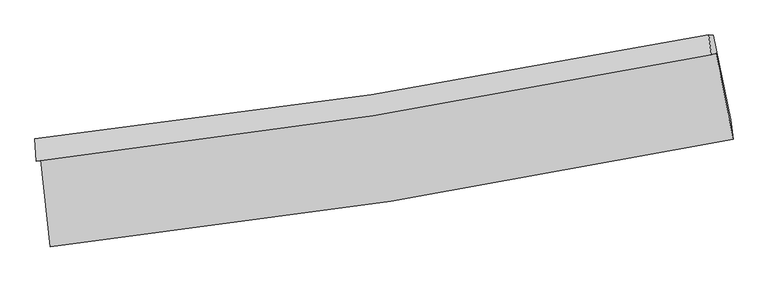
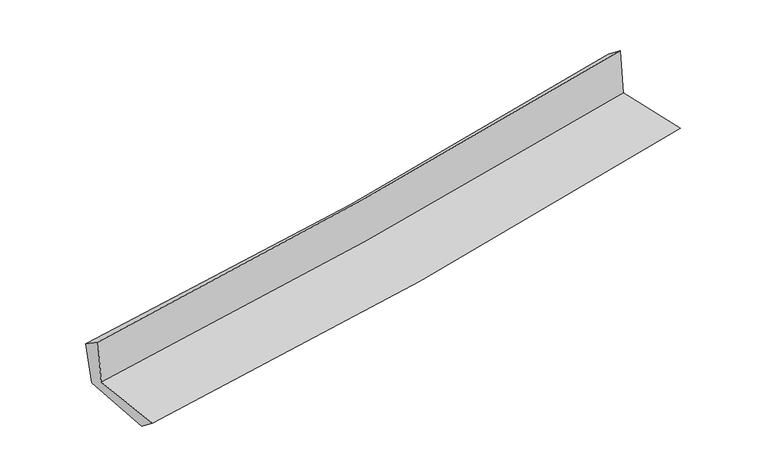
"""IFC4 building model written with IfcOpenShell, lengths in millimetres: proxy geometry."""

from ifc_helpers import new_model, si_unit, frame, origin, place, context, project, spatial, source, transform, mapped, element, save
from ifc_brep_helpers import plane_surface, spline_curve, spline_surface, advanced_brep


def generic_models_f7d64192(model_context):
    return source(origin(), model_context, "Body", "AdvancedBrep", [
        advanced_brep(
        [(-2566.0960201, -1886.8434301, 1664.3731756), (-2492.3786909, -2542.6124125, 1652.8494156), (2653.1485334, -1730.7792477, 2119.2005688), (2524.9680418, -1083.1559694, 2103.5641855), (-2600.1142343, -1897.5990762, 2058.817971), (2489.2463883, -1094.4501972, 2517.7605405), (-2608.7560309, -1726.1233361, 1942.6993897), (2470.1020125, -944.9885751, 2400.3278527), (-2573.3651076, -1752.2362344, 1578.6579716), (2504.3010377, -947.1122541, 2032.0206977), (-2498.495035, -2393.9556484, 1536.7746895), (2635.038841, -1583.9022077, 1996.1255096)],
        [
            (0, 1),
            (1, 2, spline_curve(3, [(-2492.3786909, -2542.6124125, 1652.8494156), (-1633.613598854, -2447.424094796, 1723.907375879), (-778.033911173, -2332.709837057, 1798.042932551), (937.220532733, -2062.581213093, 1953.417278225), (1796.816586417, -1906.684415716, 2034.732105906), (2653.1485334, -1730.7792477, 2119.2005688)], [4, 2, 4], [0.0, 8.482847480350175, 17.06984915085856])),
            (2, 3),
            (3, 0, spline_curve(3, [(2524.9680418, -1083.1559694, 2103.5641855), (1677.001396992, -1254.101370835, 2031.095506441), (826.156625115, -1406.84629872, 1958.035011169), (-870.934124602, -1674.303279056, 1811.623738303), (-1717.110706775, -1789.454171451, 1738.287230321), (-2566.0960201, -1886.8434301, 1664.3731756)], [4, 2, 4], [0.0, 8.587001670508384, 17.06984915085856])),
            (4, 0),
            (3, 5),
            (5, 4, spline_curve(3, [(2489.2463883, -1094.4501972, 2517.7605405), (1641.557062646, -1265.307917706, 2442.076317966), (790.993795066, -1417.963841564, 2365.751750068), (-905.529040762, -1685.241262819, 2212.75545409), (-1751.419314057, -1800.30163204, 2136.099165097), (-2600.1142343, -1897.5990762, 2058.817971)], [4, 2, 4], [0.0, 8.539492203391157, 16.975406472488764])),
            (6, 4),
            (5, 7),
            (7, 6, spline_curve(3, [(2470.1020125, -944.9885751, 2400.3278527), (1625.404827818, -1115.553236869, 2314.964145015), (777.214430052, -1266.20656012, 2233.940214279), (-915.822477452, -1526.104722692, 2081.502031667), (-1760.584761096, -1635.829652958, 2009.983141191), (-2608.7560309, -1726.1233361, 1942.6993897)], [4, 2, 4], [0.0, 8.528319721976791, 16.953197023870743])),
            (8, 6),
            (7, 9),
            (9, 8, spline_curve(3, [(2504.3010377, -947.1122541, 2032.0206977), (1658.410026007, -1113.628102733, 1952.760099776), (809.726897531, -1264.292943128, 1875.128933866), (-882.895806057, -1532.285412483, 1724.047313218), (-1726.768059655, -1649.995231979, 1650.557570286), (-2573.3651076, -1752.2362344, 1578.6579716)], [4, 2, 4], [0.0, 8.518413698434953, 16.933505129769365])),
            (10, 8),
            (9, 11),
            (11, 10, spline_curve(3, [(2635.038841, -1583.9022077, 1996.1255096), (1780.551634687, -1759.481688777, 1915.7494559), (922.884002623, -1915.066510408, 1837.058849051), (-788.370640634, -2184.602223873, 1683.98254767), (-1641.880967432, -2299.035215687, 1609.55621436), (-2498.495035, -2393.9556484, 1536.7746895)], [4, 2, 4], [0.0, 8.566578880232907, 17.029251284150405])),
            (1, 10),
            (11, 2),
        ],
        [
            spline_surface(3, 3, [[(-2566.0960201, -1886.8434301, 1664.3731756), (-1717.110706667, -1789.454171498, 1738.287230279), (-870.934124641, -1674.3032791, 1811.623738319), (826.156625155, -1406.846298676, 1958.035011153), (1677.001397078, -1254.101370854, 2031.095506436), (2524.9680418, -1083.1559694, 2103.5641855)], [(-2541.523577021, -2105.433090912, 1660.531922251), (-1689.278337378, -2008.777479248, 1733.493945458), (-839.967386786, -1893.772131797, 1807.09680304), (863.177927671, -1625.424603473, 1956.495766829), (1716.939793514, -1471.629052466, 2032.307706278), (2567.694872339, -1299.030395495, 2108.776313278)], [(-2516.951133979, -2324.022751688, 1656.690668949), (-1661.445968127, -2228.100786963, 1728.700660682), (-809.000648965, -2113.240984439, 1802.569867818), (900.199230153, -1844.002908216, 1954.956522561), (1756.878189935, -1689.156734093, 2033.519906085), (2610.421702861, -1514.904821605, 2113.988441022)], [(-2492.3786909, -2542.6124125, 1652.8494156), (-1633.613598838, -2447.424094713, 1723.907375861), (-778.033911111, -2332.709837136, 1798.042932539), (937.220532669, -2062.581213013, 1953.417278237), (1796.816586371, -1906.684415705, 2034.732105927), (2653.1485334, -1730.7792477, 2119.2005688)]], [4, 4], [4, 2, 4], [0.0, 2.181758565722319], [0.0, 8.482847480350175, 17.06984915085856]),
            spline_surface(3, 3, [[(-2600.1142343, -1897.5990762, 2058.817971), (-1751.419314033, -1800.301632121, 2136.099165195), (-905.529040733, -1685.241262819, 2212.755454019), (790.993795036, -1417.963841564, 2365.751750139), (1641.557062612, -1265.30791782, 2442.07631787), (2489.2463883, -1094.4501972, 2517.7605405)], [(-2588.774829583, -1894.013860849, 1927.33637252), (-1739.983111594, -1796.685811929, 2003.495186876), (-893.997402031, -1681.595268243, 2079.04488213), (802.714738413, -1414.257993931, 2229.846170489), (1653.371840765, -1261.572402151, 2305.082714061), (2501.153606131, -1090.685454586, 2379.695088835)], [(-2577.435424817, -1890.428645451, 1795.85477408), (-1728.546909106, -1793.069991689, 1870.891208598), (-882.465763342, -1677.949273676, 1945.334310207), (814.435681778, -1410.552146308, 2093.940590804), (1665.186618925, -1257.836886523, 2168.089110245), (2513.060823969, -1086.920712014, 2241.629637165)], [(-2566.0960201, -1886.8434301, 1664.3731756), (-1717.110706667, -1789.454171498, 1738.287230279), (-870.934124641, -1674.3032791, 1811.623738319), (826.156625155, -1406.846298676, 1958.035011153), (1677.001397078, -1254.101370854, 2031.095506436), (2524.9680418, -1083.1559694, 2103.5641855)]], [4, 4], [4, 2, 4], [0.0, 1.3324002006227178], [0.0, 8.435914269097607, 16.975406472488764]),
            spline_surface(3, 3, [[(-2608.7560309, -1726.1233361, 1942.6993897), (-1760.584760998, -1635.829653049, 2009.98314121), (-915.822477479, -1526.104722621, 2081.502031641), (777.214430079, -1266.206560192, 2233.940214306), (1625.404827698, -1115.553236984, 2314.964144898), (2470.1020125, -944.9885751, 2400.3278527)], [(-2605.875432039, -1783.281916111, 1981.405583481), (-1757.529612016, -1690.65364605, 2052.021815886), (-912.39133191, -1579.150236018, 2125.253172435), (781.807551718, -1316.792320647, 2277.877392918), (1630.788905994, -1165.471463945, 2357.33486922), (2476.483471091, -994.809115816, 2439.472081965)], [(-2602.994833161, -1840.440496189, 2020.111777219), (-1754.474463015, -1745.477639119, 2094.060490519), (-908.960186301, -1632.195749422, 2169.004313225), (786.400673397, -1367.378081108, 2321.814571527), (1636.172984316, -1215.389690859, 2399.705593547), (2482.864929709, -1044.629656484, 2478.616311235)], [(-2600.1142343, -1897.5990762, 2058.817971), (-1751.419314033, -1800.301632121, 2136.099165195), (-905.529040733, -1685.241262819, 2212.755454019), (790.993795036, -1417.963841564, 2365.751750139), (1641.557062612, -1265.30791782, 2442.07631787), (2489.2463883, -1094.4501972, 2517.7605405)]], [4, 4], [4, 2, 4], [0.0, 0.6691364293322647], [0.0, 8.424877301893952, 16.953197023870743]),
            spline_surface(3, 3, [[(-2573.3651076, -1752.2362344, 1578.6579716), (-1726.768059613, -1649.99523211, 1650.557570304), (-882.895806135, -1532.285412449, 1724.047313187), (809.72689761, -1264.292943163, 1875.128933898), (1658.410025899, -1113.628102687, 1952.76009975), (2504.3010377, -947.1122541, 2032.0206977)], [(-2585.162082029, -1743.531934979, 1700.005110961), (-1738.040293403, -1645.273372435, 1770.366093934), (-893.871363233, -1530.225182502, 1843.198886009), (798.88940845, -1264.930815501, 1994.732694038), (1647.408293167, -1114.269814098, 2073.494781466), (2492.901362635, -946.404361078, 2154.789749367)], [(-2596.959056471, -1734.827635521, 1821.352250339), (-1749.312527207, -1640.551512724, 1890.17461758), (-904.846920381, -1528.164952568, 1962.350458819), (788.051919239, -1265.568687853, 2114.336454166), (1636.40656043, -1114.911525574, 2194.229463181), (2481.501687565, -945.696468122, 2277.558801033)], [(-2608.7560309, -1726.1233361, 1942.6993897), (-1760.584760998, -1635.829653049, 2009.98314121), (-915.822477479, -1526.104722621, 2081.502031641), (777.214430079, -1266.206560192, 2233.940214306), (1625.404827698, -1115.553236984, 2314.964144898), (2470.1020125, -944.9885751, 2400.3278527)]], [4, 4], [4, 2, 4], [0.0, 1.1799176752748473], [0.0, 8.415091431334412, 16.933505129769365]),
            spline_surface(3, 3, [[(-2498.495035, -2393.9556484, 1536.7746895), (-1641.880967442, -2299.035215637, 1609.556214286), (-788.370640678, -2184.6022238, 1683.982547623), (922.884002668, -1915.066510482, 1837.0588491), (1780.551634553, -1759.481688723, 1915.749455758), (2635.038841, -1583.9022077, 1996.1255096)], [(-2523.451725861, -2180.049177072, 1550.735783556), (-1670.176664827, -2082.688554466, 1623.223332982), (-819.879029165, -1967.163286684, 1697.337469478), (885.164967648, -1698.141988043, 1849.748877366), (1739.837764998, -1544.197160054, 1928.086337076), (2591.459573231, -1371.638889842, 2008.090572287)], [(-2548.408416739, -1966.142705728, 1564.696877544), (-1698.472362228, -1866.34189328, 1636.890451609), (-851.387417648, -1749.724349566, 1710.692391332), (847.445932631, -1481.217465602, 1862.438905632), (1699.123895453, -1328.912631357, 1940.423218432), (2547.880305469, -1159.375571958, 2020.055635013)], [(-2573.3651076, -1752.2362344, 1578.6579716), (-1726.768059613, -1649.99523211, 1650.557570304), (-882.895806135, -1532.285412449, 1724.047313187), (809.72689761, -1264.292943163, 1875.128933898), (1658.410025899, -1113.628102687, 1952.76009975), (2504.3010377, -947.1122541, 2032.0206977)]], [4, 4], [4, 2, 4], [0.0, 2.168409758711232], [0.0, 8.462672403917498, 17.029251284150405]),
            spline_surface(3, 3, [[(-2492.3786909, -2542.6124125, 1652.8494156), (-1633.613598838, -2447.424094713, 1723.907375861), (-778.033911111, -2332.709837136, 1798.042932539), (937.220532669, -2062.581213013, 1953.417278237), (1796.816586371, -1906.684415705, 2034.732105927), (2653.1485334, -1730.7792477, 2119.2005688)], [(-2494.417472266, -2493.060157777, 1614.157840231), (-1636.369388372, -2397.961134998, 1685.790322), (-781.479487651, -2283.340632681, 1760.022804235), (932.441689318, -2013.409645493, 1914.631135193), (1791.394935772, -1857.61684006, 1995.071222538), (2647.111969274, -1681.820234382, 2078.175549067)], [(-2496.456253634, -2443.507903123, 1575.466264869), (-1639.125177908, -2348.498175351, 1647.673268147), (-784.925064138, -2233.971428255, 1722.002675927), (927.662846019, -1964.238078002, 1875.844992144), (1785.973285151, -1808.549264368, 1955.410339147), (2641.075405126, -1632.861221018, 2037.150529333)], [(-2498.495035, -2393.9556484, 1536.7746895), (-1641.880967442, -2299.035215637, 1609.556214286), (-788.370640678, -2184.6022238, 1683.982547623), (922.884002668, -1915.066510482, 1837.0588491), (1780.551634553, -1759.481688723, 1915.749455758), (2635.038841, -1583.9022077, 1996.1255096)]], [4, 4], [4, 2, 4], [0.0, 0.6162072351819086], [0.0, 8.51941343641896, 17.14343002751547]),
            plane_surface(frame((2546.1341424, -1230.7314085, 2194.8332258), z_axis=(0.9766144593207431, 0.19545816233506513, 0.08955615345833037), x_axis=(-0.0924553823440456, 0.005741261887587742, 0.9957002762817506))),
            plane_surface(frame((-2556.5341865, -2033.2283563, 1739.0287688), z_axis=(-0.9900238108142843, -0.10973909712282424, -0.08837524870363898), x_axis=(-0.11169292308558677, 0.9935893673266722, 0.01746024249489496))),
        ],
        [
            (0, [[1, 2, 3, 4]]),
            (1, [[5, -4, 6, 7]]),
            (2, [[8, -7, 9, 10]]),
            (3, [[11, -10, 12, 13]]),
            (4, [[14, -13, 15, 16]]),
            (5, [[17, -16, 18, -2]]),
            (6, [[-12, -9, -6, -3, -18, -15]]),
            (7, [[-1, -5, -8, -11, -14, -17]]),
        ],
    ),
    ])


if __name__ == "__main__":
    model = new_model("IFC4")
    model_context = context("Model", 3, world=origin())
    ifc_project = project(units=[si_unit("LENGTHUNIT", "METRE", prefix="MILLI")], contexts=[model_context])
    site = spatial("IfcSite", under=ifc_project)
    building = spatial("IfcBuilding", under=site)
    placement = place(None, origin())
    generic_models_shape = generic_models_f7d64192(model_context)
    element("IfcBuildingElementProxy", 1, Name="Generic Models", at=placement, inside=building, context=model_context, shape_type="MappedRepresentation", body=[
        mapped(generic_models_shape, transform((0.0, 0.0, 0.0), x_axis=(1.0, 0.0, 0.0), y_axis=(0.0, 1.0, 0.0), z_axis=(0.0, 0.0, 1.0))),
    ])
    save(model, "model.ifc")
